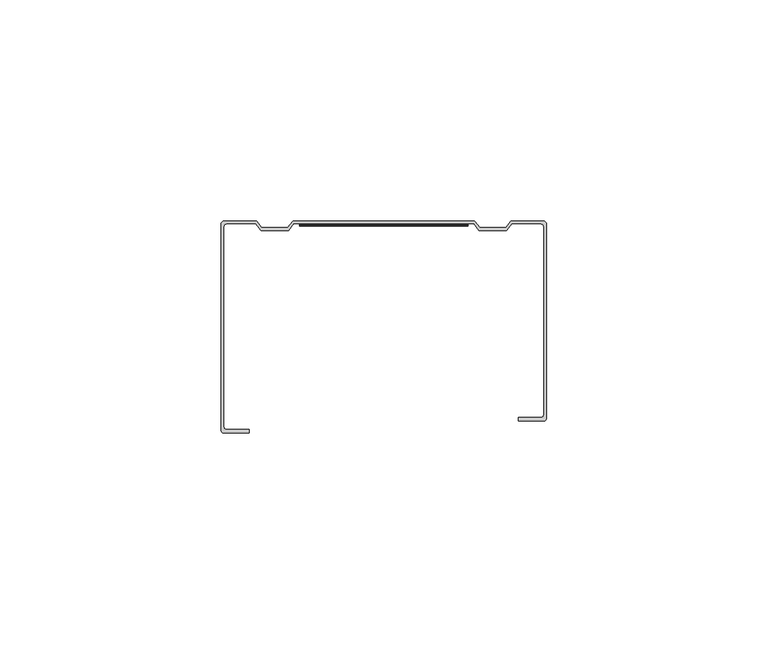
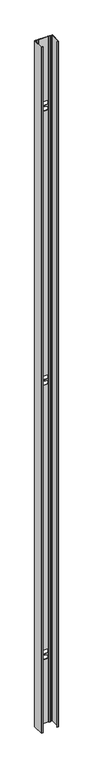
"""IFC4 building model written with IfcOpenShell, lengths in millimetres: proxy geometry."""

from ifc_helpers import new_model, si_unit, frame, origin, place, context, project, spatial, polyline, circle_curve, source, transform, mapped, element, save
from ifc_brep_helpers import plane_surface, cylinder_surface, revolved_surface, advanced_brep


def generic_models_c586e70a(model_context):
    return source(origin(), model_context, "Body", "AdvancedBrep", [
        advanced_brep(
        [(35.55, -44.4, 3000.0), (30.45, -44.4, 3000.0), (30.45, -45.2210939, 3000.0), (36.15, -45.2210939, 3000.0), (36.75, -44.6210939, 3000.0), (36.75, -0.6, 3000.0), (36.15, 0.0, 3000.0), (28.7683346, 0.0, 3000.0), (27.5683346, -1.5, 3000.0), (21.7316654, -1.5, 3000.0), (20.5316654, 0.0, 3000.0), (-20.5316654, 0.0, 3000.0), (-21.7316654, -1.5, 3000.0), (-27.5683346, -1.5, 3000.0), (-28.7683346, 0.0, 3000.0), (-36.15, 0.0, 3000.0), (-36.75, -0.6, 3000.0), (-36.75, -47.3111732, 3000.0), (-36.15, -47.9111732, 3000.0), (-30.45, -47.9111732, 3000.0), (-30.45, -47.1, 3000.0), (-35.55, -47.1, 3000.0), (-36.15, -46.5, 3000.0), (-36.15, -1.2, 3000.0), (-35.55, -0.6, 3000.0), (-28.95, -0.6, 3000.0), (-27.75, -2.1, 3000.0), (-21.55, -2.1, 3000.0), (-20.35, -0.6, 3000.0), (20.35, -0.6, 3000.0), (21.55, -2.1, 3000.0), (27.75, -2.1, 3000.0), (28.95, -0.6, 3000.0), (35.55, -0.6, 3000.0), (36.15, -1.2, 3000.0), (36.15, -43.8, 3000.0), (35.55, -44.4, 0.0), (36.15, -43.8, 0.0), (36.15, -1.2, 0.0), (35.55, -0.6, 0.0), (28.95, -0.6, 0.0), (27.75, -2.1, 0.0), (21.55, -2.1, 0.0), (20.35, -0.6, 0.0), (-20.35, -0.6, 0.0), (-21.55, -2.1, 0.0), (-27.75, -2.1, 0.0), (-28.95, -0.6, 0.0), (-35.55, -0.6, 0.0), (-36.15, -1.2, 0.0), (-36.15, -46.5, 0.0), (-35.55, -47.1, 0.0), (-30.45, -47.1, 0.0), (-30.45, -47.9111732, 0.0), (-36.15, -47.9111732, 0.0), (-36.75, -47.3111732, 0.0), (-36.75, -0.6, 0.0), (-36.15, 0.0, 0.0), (-28.7683346, 0.0, 0.0), (-27.5683346, -1.5, 0.0), (-21.7316654, -1.5, 0.0), (-20.5316654, 0.0, 0.0), (20.5316654, 0.0, 0.0), (21.7316654, -1.5, 0.0), (27.5683346, -1.5, 0.0), (28.7683346, 0.0, 0.0), (36.15, 0.0, 0.0), (36.75, -0.6, 0.0), (36.75, -44.6210939, 0.0), (36.15, -45.2210939, 0.0), (30.45, -45.2210939, 0.0), (30.45, -44.4, 0.0), (19.0, -0.6, 280.0), (-19.0, -0.6, 280.0), (-19.0, -0.6, 295.0), (-5.9360534, -0.6, 296.3063947), (-5.0355571, -0.6, 297.3014319), (-5.0355571, -0.6, 303.4832069), (-5.9360534, -0.6, 304.4782441), (-19.0, -0.6, 305.7846387), (-19.0, -0.6, 320.0), (19.0, -0.6, 320.0), (19.0, -0.6, 305.0), (4.9004963, -0.6, 303.5900496), (4.0, -0.6, 302.5950124), (4.0, -0.6, 297.4049876), (4.9004963, -0.6, 296.4099504), (19.0, -0.6, 295.0), (19.0, -0.6, 1480.0), (-19.0, -0.6, 1480.0), (-19.0, -0.6, 1495.0), (-5.9360534, -0.6, 1496.3063947), (-5.0355571, -0.6, 1497.3014319), (-5.0355571, -0.6, 1503.4832069), (-5.9360534, -0.6, 1504.4782441), (-19.0, -0.6, 1505.7846387), (-19.0, -0.6, 1520.0), (19.0, -0.6, 1520.0), (19.0, -0.6, 1505.0), (4.9004963, -0.6, 1503.5900496), (4.0, -0.6, 1502.5950124), (4.0, -0.6, 1497.4049876), (4.9004963, -0.6, 1496.4099504), (19.0, -0.6, 1495.0), (19.0, -0.6, 2680.0), (-19.0, -0.6, 2680.0), (-19.0, -0.6, 2695.0), (-5.9360534, -0.6, 2696.3063947), (-5.0355571, -0.6, 2697.3014319), (-5.0355571, -0.6, 2703.4832069), (-5.9360534, -0.6, 2704.4782441), (-19.0, -0.6, 2705.7846387), (-19.0, -0.6, 2720.0), (19.0, -0.6, 2720.0), (19.0, -0.6, 2705.0), (4.9004963, -0.6, 2703.5900496), (4.0, -0.6, 2702.5950124), (4.0, -0.6, 2697.4049876), (4.9004963, -0.6, 2696.4099504), (19.0, -0.6, 2695.0), (19.0, 0.0, 295.0), (4.9004963, 0.0, 296.4099504), (4.0, 0.0, 297.4049876), (4.0, 0.0, 302.5950124), (4.9004963, 0.0, 303.5900496), (19.0, 0.0, 305.0), (19.0, 0.0, 320.0), (-19.0, 0.0, 320.0), (-19.0, 0.0, 305.7846387), (-5.9360534, 0.0, 304.4782441), (-5.0355571, 0.0, 303.4832069), (-5.0355571, 0.0, 297.3014319), (-5.9360534, 0.0, 296.3063947), (-19.0, 0.0, 295.0), (-19.0, 0.0, 280.0), (19.0, 0.0, 280.0), (19.0, 0.0, 1495.0), (4.9004963, 0.0, 1496.4099504), (4.0, 0.0, 1497.4049876), (4.0, 0.0, 1502.5950124), (4.9004963, 0.0, 1503.5900496), (19.0, 0.0, 1505.0), (19.0, 0.0, 1520.0), (-19.0, 0.0, 1520.0), (-19.0, 0.0, 1505.7846387), (-5.9360534, 0.0, 1504.4782441), (-5.0355571, 0.0, 1503.4832069), (-5.0355571, 0.0, 1497.3014319), (-5.9360534, 0.0, 1496.3063947), (-19.0, 0.0, 1495.0), (-19.0, 0.0, 1480.0), (19.0, 0.0, 1480.0), (19.0, 0.0, 2695.0), (4.9004963, 0.0, 2696.4099504), (4.0, 0.0, 2697.4049876), (4.0, 0.0, 2702.5950124), (4.9004963, 0.0, 2703.5900496), (19.0, 0.0, 2705.0), (19.0, 0.0, 2720.0), (-19.0, 0.0, 2720.0), (-19.0, 0.0, 2705.7846387), (-5.9360534, 0.0, 2704.4782441), (-5.0355571, 0.0, 2703.4832069), (-5.0355571, 0.0, 2697.3014319), (-5.9360534, 0.0, 2696.3063947), (-19.0, 0.0, 2695.0), (-19.0, 0.0, 2680.0), (19.0, 0.0, 2680.0)],
        [
            (0, 1),
            (1, 2),
            (2, 3),
            (3, 4, circle_curve(frame((36.15, -44.6210939, 3000.0), z_axis=(0.0, 0.0, 1.0), x_axis=(1.0, 0.0, 0.0)), 0.6)),
            (4, 5),
            (5, 6, circle_curve(frame((36.15, -0.6, 3000.0), z_axis=(0.0, 0.0, 1.0), x_axis=(1.0, 0.0, 0.0)), 0.6)),
            (6, 7),
            (7, 8),
            (8, 9),
            (9, 10),
            (10, 11),
            (11, 12),
            (12, 13),
            (13, 14),
            (14, 15),
            (15, 16, circle_curve(frame((-36.15, -0.6, 3000.0), z_axis=(0.0, 0.0, 1.0), x_axis=(1.0, 0.0, 0.0)), 0.6)),
            (16, 17),
            (17, 18, circle_curve(frame((-36.15, -47.3111732, 3000.0), z_axis=(0.0, 0.0, 1.0), x_axis=(1.0, 0.0, 0.0)), 0.6)),
            (18, 19),
            (19, 20),
            (20, 21),
            (21, 22, circle_curve(frame((-35.55, -46.5, 3000.0), z_axis=(0.0, 0.0, -1.0), x_axis=(1.0, 0.0, 0.0)), 0.6)),
            (22, 23),
            (23, 24, circle_curve(frame((-35.55, -1.2, 3000.0), z_axis=(0.0, 0.0, -1.0), x_axis=(1.0, 0.0, 0.0)), 0.6)),
            (24, 25),
            (25, 26),
            (26, 27),
            (27, 28),
            (28, 29),
            (29, 30),
            (30, 31),
            (31, 32),
            (32, 33),
            (33, 34, circle_curve(frame((35.55, -1.2, 3000.0), z_axis=(0.0, 0.0, -1.0), x_axis=(1.0, 0.0, 0.0)), 0.6)),
            (34, 35),
            (35, 0, circle_curve(frame((35.55, -43.8, 3000.0), z_axis=(0.0, 0.0, -1.0), x_axis=(1.0, 0.0, 0.0)), 0.6)),
            (36, 37, circle_curve(frame((35.55, -43.8, 0.0), z_axis=(0.0, 0.0, 1.0), x_axis=(1.0, 0.0, 0.0)), 0.6)),
            (37, 38),
            (38, 39, circle_curve(frame((35.55, -1.2, 0.0), z_axis=(0.0, 0.0, 1.0), x_axis=(1.0, 0.0, 0.0)), 0.6)),
            (39, 40),
            (40, 41),
            (41, 42),
            (42, 43),
            (43, 44),
            (44, 45),
            (45, 46),
            (46, 47),
            (47, 48),
            (48, 49, circle_curve(frame((-35.55, -1.2, 0.0), z_axis=(0.0, 0.0, 1.0), x_axis=(1.0, 0.0, 0.0)), 0.6)),
            (49, 50),
            (50, 51, circle_curve(frame((-35.55, -46.5, 0.0), z_axis=(0.0, 0.0, 1.0), x_axis=(1.0, 0.0, 0.0)), 0.6)),
            (51, 52),
            (52, 53),
            (53, 54),
            (54, 55, circle_curve(frame((-36.15, -47.3111732, 0.0), z_axis=(0.0, 0.0, -1.0), x_axis=(1.0, 0.0, 0.0)), 0.6)),
            (55, 56),
            (56, 57, circle_curve(frame((-36.15, -0.6, 0.0), z_axis=(0.0, 0.0, -1.0), x_axis=(1.0, 0.0, 0.0)), 0.6)),
            (57, 58),
            (58, 59),
            (59, 60),
            (60, 61),
            (61, 62),
            (62, 63),
            (63, 64),
            (64, 65),
            (65, 66),
            (66, 67, circle_curve(frame((36.15, -0.6, 0.0), z_axis=(0.0, 0.0, -1.0), x_axis=(1.0, 0.0, 0.0)), 0.6)),
            (67, 68),
            (68, 69, circle_curve(frame((36.15, -44.6210939, 0.0), z_axis=(0.0, 0.0, -1.0), x_axis=(1.0, 0.0, 0.0)), 0.6)),
            (69, 70),
            (70, 71),
            (71, 36),
            (35, 37),
            (36, 0),
            (34, 38),
            (33, 39),
            (32, 40),
            (31, 41),
            (30, 42),
            (29, 43),
            (28, 44),
            (72, 73),
            (73, 74),
            (74, 75),
            (75, 76, circle_curve(frame((-6.0355571, -0.6, 297.3014319), z_axis=(0.0, -1.0, 0.0), x_axis=(1.0, 0.0, 0.0)), 1.0)),
            (76, 77),
            (77, 78, circle_curve(frame((-6.0355571, -0.6, 303.4832069), z_axis=(0.0, -1.0, 0.0), x_axis=(1.0, 0.0, 0.0)), 1.0)),
            (78, 79),
            (79, 80),
            (80, 81),
            (81, 82),
            (82, 83),
            (83, 84, circle_curve(frame((5.0, -0.6, 302.5950124), z_axis=(0.0, -1.0, 0.0), x_axis=(1.0, 0.0, 0.0)), 1.0)),
            (84, 85),
            (85, 86, circle_curve(frame((5.0, -0.6, 297.4049876), z_axis=(0.0, -1.0, 0.0), x_axis=(1.0, 0.0, 0.0)), 1.0)),
            (86, 87),
            (87, 72),
            (88, 89),
            (89, 90),
            (90, 91),
            (91, 92, circle_curve(frame((-6.0355571, -0.6, 1497.3014319), z_axis=(0.0, -1.0, 0.0), x_axis=(1.0, 0.0, 0.0)), 1.0)),
            (92, 93),
            (93, 94, circle_curve(frame((-6.0355571, -0.6, 1503.4832069), z_axis=(0.0, -1.0, 0.0), x_axis=(1.0, 0.0, 0.0)), 1.0)),
            (94, 95),
            (95, 96),
            (96, 97),
            (97, 98),
            (98, 99),
            (99, 100, circle_curve(frame((5.0, -0.6, 1502.5950124), z_axis=(0.0, -1.0, 0.0), x_axis=(1.0, 0.0, 0.0)), 1.0)),
            (100, 101),
            (101, 102, circle_curve(frame((5.0, -0.6, 1497.4049876), z_axis=(0.0, -1.0, 0.0), x_axis=(1.0, 0.0, 0.0)), 1.0)),
            (102, 103),
            (103, 88),
            (104, 105),
            (105, 106),
            (106, 107),
            (107, 108, circle_curve(frame((-6.0355571, -0.6, 2697.3014319), z_axis=(0.0, -1.0, 0.0), x_axis=(1.0, 0.0, 0.0)), 1.0)),
            (108, 109),
            (109, 110, circle_curve(frame((-6.0355571, -0.6, 2703.4832069), z_axis=(0.0, -1.0, 0.0), x_axis=(1.0, 0.0, 0.0)), 1.0)),
            (110, 111),
            (111, 112),
            (112, 113),
            (113, 114),
            (114, 115),
            (115, 116, circle_curve(frame((5.0, -0.6, 2702.5950124), z_axis=(0.0, -1.0, 0.0), x_axis=(1.0, 0.0, 0.0)), 1.0)),
            (116, 117),
            (117, 118, circle_curve(frame((5.0, -0.6, 2697.4049876), z_axis=(0.0, -1.0, 0.0), x_axis=(1.0, 0.0, 0.0)), 1.0)),
            (118, 119),
            (119, 104),
            (27, 45),
            (26, 46),
            (25, 47),
            (24, 48),
            (23, 49),
            (22, 50),
            (21, 51),
            (20, 52),
            (19, 53),
            (18, 54),
            (17, 55),
            (16, 56),
            (15, 57),
            (14, 58),
            (13, 59),
            (12, 60),
            (11, 61),
            (10, 62),
            (120, 121),
            (121, 122, circle_curve(frame((5.0, 0.0, 297.4049876), z_axis=(0.0, 1.0, 0.0), x_axis=(1.0, 0.0, 0.0)), 1.0)),
            (122, 123),
            (123, 124, circle_curve(frame((5.0, 0.0, 302.5950124), z_axis=(0.0, 1.0, 0.0), x_axis=(1.0, 0.0, 0.0)), 1.0)),
            (124, 125),
            (125, 126),
            (126, 127),
            (127, 128),
            (128, 129),
            (129, 130, circle_curve(frame((-6.0355571, 0.0, 303.4832069), z_axis=(0.0, 1.0, 0.0), x_axis=(1.0, 0.0, 0.0)), 1.0)),
            (130, 131),
            (131, 132, circle_curve(frame((-6.0355571, 0.0, 297.3014319), z_axis=(0.0, 1.0, 0.0), x_axis=(1.0, 0.0, 0.0)), 1.0)),
            (132, 133),
            (133, 134),
            (134, 135),
            (135, 120),
            (136, 137),
            (137, 138, circle_curve(frame((5.0, 0.0, 1497.4049876), z_axis=(0.0, 1.0, 0.0), x_axis=(1.0, 0.0, 0.0)), 1.0)),
            (138, 139),
            (139, 140, circle_curve(frame((5.0, 0.0, 1502.5950124), z_axis=(0.0, 1.0, 0.0), x_axis=(1.0, 0.0, 0.0)), 1.0)),
            (140, 141),
            (141, 142),
            (142, 143),
            (143, 144),
            (144, 145),
            (145, 146, circle_curve(frame((-6.0355571, 0.0, 1503.4832069), z_axis=(0.0, 1.0, 0.0), x_axis=(1.0, 0.0, 0.0)), 1.0)),
            (146, 147),
            (147, 148, circle_curve(frame((-6.0355571, 0.0, 1497.3014319), z_axis=(0.0, 1.0, 0.0), x_axis=(1.0, 0.0, 0.0)), 1.0)),
            (148, 149),
            (149, 150),
            (150, 151),
            (151, 136),
            (152, 153),
            (153, 154, circle_curve(frame((5.0, 0.0, 2697.4049876), z_axis=(0.0, 1.0, 0.0), x_axis=(1.0, 0.0, 0.0)), 1.0)),
            (154, 155),
            (155, 156, circle_curve(frame((5.0, 0.0, 2702.5950124), z_axis=(0.0, 1.0, 0.0), x_axis=(1.0, 0.0, 0.0)), 1.0)),
            (156, 157),
            (157, 158),
            (158, 159),
            (159, 160),
            (160, 161),
            (161, 162, circle_curve(frame((-6.0355571, 0.0, 2703.4832069), z_axis=(0.0, 1.0, 0.0), x_axis=(1.0, 0.0, 0.0)), 1.0)),
            (162, 163),
            (163, 164, circle_curve(frame((-6.0355571, 0.0, 2697.3014319), z_axis=(0.0, 1.0, 0.0), x_axis=(1.0, 0.0, 0.0)), 1.0)),
            (164, 165),
            (165, 166),
            (166, 167),
            (167, 152),
            (9, 63),
            (8, 64),
            (7, 65),
            (6, 66),
            (5, 67),
            (4, 68),
            (3, 69),
            (2, 70),
            (1, 71),
            (87, 120),
            (135, 72),
            (86, 121),
            (85, 122),
            (84, 123),
            (83, 124),
            (82, 125),
            (81, 126),
            (80, 127),
            (79, 128),
            (78, 129),
            (77, 130),
            (76, 131),
            (75, 132),
            (74, 133),
            (73, 134),
            (103, 136),
            (151, 88),
            (102, 137),
            (101, 138),
            (100, 139),
            (99, 140),
            (98, 141),
            (97, 142),
            (96, 143),
            (95, 144),
            (94, 145),
            (93, 146),
            (92, 147),
            (91, 148),
            (90, 149),
            (89, 150),
            (119, 152),
            (167, 104),
            (118, 153),
            (117, 154),
            (116, 155),
            (115, 156),
            (114, 157),
            (113, 158),
            (112, 159),
            (111, 160),
            (110, 161),
            (109, 162),
            (108, 163),
            (107, 164),
            (106, 165),
            (105, 166),
        ],
        [
            plane_surface(frame((36.15, -43.8, 3000.0), z_axis=(0.0, 0.0, 1.0), x_axis=(0.0, 1.0, 0.0))),
            plane_surface(frame((36.15, -43.8, 0.0), z_axis=(0.0, 0.0, -1.0), x_axis=(0.0, -1.0, 0.0))),
            revolved_surface(polyline([(36.15, -43.8, 0.0), (36.15, -43.8, 3000.0)]), (35.55, -43.8, 0.0), (0.0, 0.0, -1.0)),
            plane_surface(frame((36.15, -43.8, 3000.0), z_axis=(-1.0, 0.0, 0.0), x_axis=(0.0, 0.0, -1.0))),
            revolved_surface(polyline([(36.15, -1.2, 0.0), (36.15, -1.2, 3000.0)]), (35.55, -1.2, 0.0), (0.0, 0.0, -1.0)),
            plane_surface(frame((35.55, -0.6, 3000.0), z_axis=(1.3202570350113512e-12, -1.0, 0.0), x_axis=(0.0, 0.0, -1.0))),
            plane_surface(frame((28.95, -0.6, 3000.0), z_axis=(0.7808688094437694, -0.6246950475535005, 0.0), x_axis=(0.0, 0.0, -1.0))),
            plane_surface(frame((27.75, -2.1, 3000.0), z_axis=(0.0, -1.0, 0.0), x_axis=(0.0, 0.0, -1.0))),
            plane_surface(frame((21.55, -2.1, 3000.0), z_axis=(-0.7808688094437694, -0.6246950475535005, 0.0), x_axis=(0.0, 0.0, -1.0))),
            plane_surface(frame((20.35, -0.6, 3000.0), z_axis=(0.0, -1.0, 0.0), x_axis=(0.0, 0.0, -1.0))),
            plane_surface(frame((-20.35, -0.6, 3000.0), z_axis=(0.7808688094428455, -0.6246950475546552, 0.0), x_axis=(0.0, 0.0, -1.0))),
            plane_surface(frame((-21.55, -2.1, 3000.0), z_axis=(0.0, -1.0, 0.0), x_axis=(0.0, 0.0, -1.0))),
            plane_surface(frame((-27.75, -2.1, 3000.0), z_axis=(-0.7808688094419218, -0.62469504755581, 0.0), x_axis=(0.0, 0.0, -1.0))),
            plane_surface(frame((-28.95, -0.6, 3000.0), z_axis=(0.0, -1.0, 0.0), x_axis=(0.0, 0.0, -1.0))),
            revolved_surface(polyline([(-34.949999999999996, -1.2, 0.0), (-34.949999999999996, -1.2, 3000.0)]), (-35.55, -1.2, 0.0), (0.0, 0.0, -1.0)),
            plane_surface(frame((-36.15, -1.2, 3000.0), z_axis=(1.0, 0.0, 0.0), x_axis=(0.0, 0.0, -1.0))),
            revolved_surface(polyline([(-34.949999999999996, -46.5, 0.0), (-34.949999999999996, -46.5, 3000.0)]), (-35.55, -46.5, 0.0), (0.0, 0.0, -1.0)),
            plane_surface(frame((-35.55, -47.1, 3000.0), z_axis=(0.0, 1.0, 0.0), x_axis=(0.0, 0.0, -1.0))),
            plane_surface(frame((-30.45, -47.1, 3000.0), z_axis=(1.0, 0.0, 0.0), x_axis=(0.0, 0.0, -1.0))),
            plane_surface(frame((-30.45, -47.9111732, 3000.0), z_axis=(0.0, -1.0, 0.0), x_axis=(0.0, 0.0, -1.0))),
            cylinder_surface(frame((-36.15, -47.3111732, 0.0), z_axis=(0.0, 0.0, 1.0), x_axis=(1.0, 0.0, 0.0)), 0.6),
            plane_surface(frame((-36.75, -47.3111732, 3000.0), z_axis=(-1.0, 0.0, 0.0), x_axis=(0.0, 0.0, -1.0))),
            cylinder_surface(frame((-36.15, -0.6, 0.0), z_axis=(0.0, 0.0, 1.0), x_axis=(1.0, 0.0, 0.0)), 0.6),
            plane_surface(frame((-36.15, 0.0, 3000.0), z_axis=(0.0, 1.0, 0.0), x_axis=(0.0, 0.0, -1.0))),
            plane_surface(frame((-28.7683346, 0.0, 3000.0), z_axis=(0.7808688094419218, 0.62469504755581, 0.0), x_axis=(0.0, 0.0, -1.0))),
            plane_surface(frame((-27.5683346, -1.5, 3000.0), z_axis=(0.0, 1.0, 0.0), x_axis=(0.0, 0.0, -1.0))),
            plane_surface(frame((-21.7316654, -1.5, 3000.0), z_axis=(-0.780868809440998, 0.6246950475569647, 0.0), x_axis=(0.0, 0.0, -1.0))),
            plane_surface(frame((-20.5316654, 0.0, 3000.0), z_axis=(0.0, 1.0, 0.0), x_axis=(0.0, 0.0, -1.0))),
            plane_surface(frame((20.5316654, 0.0, 3000.0), z_axis=(0.7808688094437694, 0.6246950475535006, 0.0), x_axis=(0.0, 0.0, -1.0))),
            plane_surface(frame((21.7316654, -1.5, 3000.0), z_axis=(0.0, 1.0, 0.0), x_axis=(0.0, 0.0, -1.0))),
            plane_surface(frame((27.5683346, -1.5, 3000.0), z_axis=(-0.7808688094437694, 0.6246950475535006, 0.0), x_axis=(0.0, 0.0, -1.0))),
            plane_surface(frame((28.7683346, 0.0, 3000.0), z_axis=(0.0, 1.0, 0.0), x_axis=(0.0, 0.0, -1.0))),
            cylinder_surface(frame((36.15, -0.6, 0.0), z_axis=(0.0, 0.0, 1.0), x_axis=(1.0, 0.0, 0.0)), 0.6),
            plane_surface(frame((36.75, -0.6, 3000.0), z_axis=(1.0, 0.0, 0.0), x_axis=(0.0, 0.0, -1.0))),
            cylinder_surface(frame((36.15, -44.6210939, 0.0), z_axis=(0.0, 0.0, 1.0), x_axis=(1.0, 0.0, 0.0)), 0.6),
            plane_surface(frame((36.15, -45.2210939, 3000.0), z_axis=(0.0, -1.0, 0.0), x_axis=(0.0, 0.0, -1.0))),
            plane_surface(frame((30.45, -45.2210939, 3000.0), z_axis=(-1.0, 0.0, 0.0), x_axis=(0.0, 0.0, -1.0))),
            plane_surface(frame((30.45, -44.4, 3000.0), z_axis=(0.0, 1.0, 0.0), x_axis=(0.0, 0.0, -1.0))),
            plane_surface(frame((19.0, 145.3710612, 280.0), z_axis=(-1.0, 0.0, 0.0), x_axis=(0.0, -1.0, 0.0))),
            plane_surface(frame((19.0, 145.3710612, 295.0), z_axis=(-0.09950371902100404, 0.0, -0.9950371902099887), x_axis=(0.0, -1.0, 0.0))),
            cylinder_surface(frame((5.0, -171.5772694, 297.4049876), z_axis=(0.0, -1.0, 0.0), x_axis=(1.0, 0.0, 0.0)), 1.0),
            plane_surface(frame((4.0, 145.3710612, 297.4049876), z_axis=(-1.0, 0.0, 0.0), x_axis=(0.0, -1.0, 0.0))),
            cylinder_surface(frame((5.0, -171.5772694, 302.5950124), z_axis=(0.0, -1.0, 0.0), x_axis=(1.0, 0.0, 0.0)), 1.0),
            plane_surface(frame((4.9004963, 145.3710612, 303.5900496), z_axis=(-0.09950371902100714, 0.0, 0.9950371902099884), x_axis=(0.0, -1.0, 0.0))),
            plane_surface(frame((19.0, 145.3710612, 305.0), z_axis=(-1.0, 0.0, 0.0), x_axis=(0.0, -1.0, 0.0))),
            plane_surface(frame((19.0, 145.3710612, 320.0), z_axis=(0.0, 0.0, -1.0), x_axis=(0.0, -1.0, 0.0))),
            plane_surface(frame((-19.0, 145.3710612, 320.0), z_axis=(1.0, 0.0, 0.0), x_axis=(0.0, -1.0, 0.0))),
            plane_surface(frame((-19.0, 145.3710612, 305.7846387), z_axis=(0.09950371902100459, 0.0, 0.9950371902099886), x_axis=(0.0, -1.0, 0.0))),
            cylinder_surface(frame((-6.0355571, -171.5772694, 303.4832069), z_axis=(0.0, -1.0, 0.0), x_axis=(1.0, 0.0, 0.0)), 1.0),
            plane_surface(frame((-5.0355571, 145.3710612, 303.4832069), z_axis=(1.0, 0.0, 0.0), x_axis=(0.0, -1.0, 0.0))),
            cylinder_surface(frame((-6.0355571, -171.5772694, 297.3014319), z_axis=(0.0, -1.0, 0.0), x_axis=(1.0, 0.0, 0.0)), 1.0),
            plane_surface(frame((-5.9360534, 145.3710612, 296.3063947), z_axis=(0.09950371902100354, 0.0, -0.9950371902099887), x_axis=(0.0, -1.0, 0.0))),
            plane_surface(frame((-19.0, 145.3710612, 295.0), z_axis=(1.0, 0.0, 0.0), x_axis=(0.0, -1.0, 0.0))),
            plane_surface(frame((-19.0, 145.3710612, 280.0), z_axis=(0.0, 0.0, 1.0), x_axis=(0.0, -1.0, 0.0))),
            plane_surface(frame((19.0, 145.3710612, 1480.0), z_axis=(-1.0, 0.0, 0.0), x_axis=(0.0, -1.0, 0.0))),
            plane_surface(frame((19.0, 145.3710612, 1495.0), z_axis=(-0.09950371902101107, 0.0, -0.9950371902099879), x_axis=(0.0, -1.0, 0.0))),
            cylinder_surface(frame((5.0, -171.5772694, 1497.4049876), z_axis=(0.0, -1.0, 0.0), x_axis=(1.0, 0.0, 0.0)), 1.0),
            plane_surface(frame((4.0, 145.3710612, 1497.4049876), z_axis=(-1.0, 0.0, 0.0), x_axis=(0.0, -1.0, 0.0))),
            cylinder_surface(frame((5.0, -171.5772694, 1502.5950124), z_axis=(0.0, -1.0, 0.0), x_axis=(1.0, 0.0, 0.0)), 1.0),
            plane_surface(frame((4.9004963, 145.3710612, 1503.5900496), z_axis=(-0.09950371902100968, 0.0, 0.9950371902099882), x_axis=(0.0, -1.0, 0.0))),
            plane_surface(frame((19.0, 145.3710612, 1505.0), z_axis=(-1.0, 0.0, 0.0), x_axis=(0.0, -1.0, 0.0))),
            plane_surface(frame((19.0, 145.3710612, 1520.0), z_axis=(0.0, 0.0, -1.0), x_axis=(0.0, -1.0, 0.0))),
            plane_surface(frame((-19.0, 145.3710612, 1520.0), z_axis=(1.0, 0.0, 0.0), x_axis=(0.0, -1.0, 0.0))),
            plane_surface(frame((-19.0, 145.3710612, 1505.7846387), z_axis=(0.09950371902099188, 0.0, 0.9950371902099899), x_axis=(0.0, -1.0, 0.0))),
            cylinder_surface(frame((-6.0355571, -171.5772694, 1503.4832069), z_axis=(0.0, -1.0, 0.0), x_axis=(1.0, 0.0, 0.0)), 1.0),
            plane_surface(frame((-5.0355571, 145.3710612, 1503.4832069), z_axis=(1.0, 0.0, 0.0), x_axis=(0.0, -1.0, 0.0))),
            cylinder_surface(frame((-6.0355571, -171.5772694, 1497.3014319), z_axis=(0.0, -1.0, 0.0), x_axis=(1.0, 0.0, 0.0)), 1.0),
            plane_surface(frame((-5.9360534, 145.3710612, 1496.3063947), z_axis=(0.09950371902099599, 0.0, -0.9950371902099895), x_axis=(0.0, -1.0, 0.0))),
            plane_surface(frame((-19.0, 145.3710612, 1495.0), z_axis=(1.0, 0.0, 0.0), x_axis=(0.0, -1.0, 0.0))),
            plane_surface(frame((-19.0, 145.3710612, 1480.0), z_axis=(0.0, 0.0, 1.0), x_axis=(0.0, -1.0, 0.0))),
            plane_surface(frame((19.0, 145.3710612, 2680.0), z_axis=(-1.0, 0.0, 0.0), x_axis=(0.0, -1.0, 0.0))),
            plane_surface(frame((19.0, 145.3710612, 2695.0), z_axis=(-0.09950371902099236, 0.0, -0.9950371902099898), x_axis=(0.0, -1.0, 0.0))),
            cylinder_surface(frame((5.0, -171.5772694, 2697.4049876), z_axis=(0.0, -1.0, 0.0), x_axis=(1.0, 0.0, 0.0)), 1.0),
            plane_surface(frame((4.0, 145.3710612, 2697.4049876), z_axis=(-1.0, 0.0, 0.0), x_axis=(0.0, -1.0, 0.0))),
            cylinder_surface(frame((5.0, -171.5772694, 2702.5950124), z_axis=(0.0, -1.0, 0.0), x_axis=(1.0, 0.0, 0.0)), 1.0),
            plane_surface(frame((4.9004963, 145.3710612, 2703.5900496), z_axis=(-0.09950371902099077, 0.0, 0.99503719020999), x_axis=(0.0, -1.0, 0.0))),
            plane_surface(frame((19.0, 145.3710612, 2705.0), z_axis=(-1.0, 0.0, 0.0), x_axis=(0.0, -1.0, 0.0))),
            plane_surface(frame((19.0, 145.3710612, 2720.0), z_axis=(0.0, 0.0, -1.0), x_axis=(0.0, -1.0, 0.0))),
            plane_surface(frame((-19.0, 145.3710612, 2720.0), z_axis=(1.0, 0.0, 0.0), x_axis=(0.0, -1.0, 0.0))),
            plane_surface(frame((-19.0, 145.3710612, 2705.7846387), z_axis=(0.0995037190210125, 0.0, 0.9950371902099879), x_axis=(0.0, -1.0, 0.0))),
            cylinder_surface(frame((-6.0355571, -171.5772694, 2703.4832069), z_axis=(0.0, -1.0, 0.0), x_axis=(1.0, 0.0, 0.0)), 1.0),
            plane_surface(frame((-5.0355571, 145.3710612, 2703.4832069), z_axis=(1.0, 0.0, 0.0), x_axis=(0.0, -1.0, 0.0))),
            cylinder_surface(frame((-6.0355571, -171.5772694, 2697.3014319), z_axis=(0.0, -1.0, 0.0), x_axis=(1.0, 0.0, 0.0)), 1.0),
            plane_surface(frame((-5.9360534, 145.3710612, 2696.3063947), z_axis=(0.09950371902097557, 0.0, -0.9950371902099915), x_axis=(0.0, -1.0, 0.0))),
            plane_surface(frame((-19.0, 145.3710612, 2695.0), z_axis=(1.0, 0.0, 0.0), x_axis=(0.0, -1.0, 0.0))),
            plane_surface(frame((-19.0, 145.3710612, 2680.0), z_axis=(0.0, 0.0, 1.0), x_axis=(0.0, -1.0, 0.0))),
        ],
        [
            (0, [[1, 2, 3, 4, 5, 6, 7, 8, 9, 10, 11, 12, 13, 14, 15, 16, 17, 18, 19, 20, 21, 22, 23, 24, 25, 26, 27, 28, 29, 30, 31, 32, 33, 34, 35, 36]]),
            (1, [[37, 38, 39, 40, 41, 42, 43, 44, 45, 46, 47, 48, 49, 50, 51, 52, 53, 54, 55, 56, 57, 58, 59, 60, 61, 62, 63, 64, 65, 66, 67, 68, 69, 70, 71, 72]]),
            (2, [[73, -37, 74, -36]]),
            (3, [[75, -38, -73, -35]]),
            (4, [[76, -39, -75, -34]]),
            (5, [[77, -40, -76, -33]]),
            (6, [[78, -41, -77, -32]]),
            (7, [[79, -42, -78, -31]]),
            (8, [[80, -43, -79, -30]]),
            (9, [[81, -44, -80, -29], [82, 83, 84, 85, 86, 87, 88, 89, 90, 91, 92, 93, 94, 95, 96, 97], [98, 99, 100, 101, 102, 103, 104, 105, 106, 107, 108, 109, 110, 111, 112, 113], [114, 115, 116, 117, 118, 119, 120, 121, 122, 123, 124, 125, 126, 127, 128, 129]]),
            (10, [[130, -45, -81, -28]]),
            (11, [[131, -46, -130, -27]]),
            (12, [[132, -47, -131, -26]]),
            (13, [[133, -48, -132, -25]]),
            (14, [[134, -49, -133, -24]]),
            (15, [[135, -50, -134, -23]]),
            (16, [[136, -51, -135, -22]]),
            (17, [[137, -52, -136, -21]]),
            (18, [[138, -53, -137, -20]]),
            (19, [[139, -54, -138, -19]]),
            (20, [[140, -55, -139, -18]]),
            (21, [[141, -56, -140, -17]]),
            (22, [[142, -57, -141, -16]]),
            (23, [[143, -58, -142, -15]]),
            (24, [[144, -59, -143, -14]]),
            (25, [[145, -60, -144, -13]]),
            (26, [[146, -61, -145, -12]]),
            (27, [[147, -62, -146, -11], [148, 149, 150, 151, 152, 153, 154, 155, 156, 157, 158, 159, 160, 161, 162, 163], [164, 165, 166, 167, 168, 169, 170, 171, 172, 173, 174, 175, 176, 177, 178, 179], [180, 181, 182, 183, 184, 185, 186, 187, 188, 189, 190, 191, 192, 193, 194, 195]]),
            (28, [[196, -63, -147, -10]]),
            (29, [[197, -64, -196, -9]]),
            (30, [[198, -65, -197, -8]]),
            (31, [[199, -66, -198, -7]]),
            (32, [[200, -67, -199, -6]]),
            (33, [[201, -68, -200, -5]]),
            (34, [[202, -69, -201, -4]]),
            (35, [[203, -70, -202, -3]]),
            (36, [[204, -71, -203, -2]]),
            (37, [[-74, -72, -204, -1]]),
            (38, [[-97, 205, -163, 206]]),
            (39, [[-96, 207, -148, -205]]),
            (40, [[-95, 208, -149, -207]]),
            (41, [[-94, 209, -150, -208]]),
            (42, [[-93, 210, -151, -209]]),
            (43, [[-92, 211, -152, -210]]),
            (44, [[-91, 212, -153, -211]]),
            (45, [[-90, 213, -154, -212]]),
            (46, [[-89, 214, -155, -213]]),
            (47, [[-88, 215, -156, -214]]),
            (48, [[-87, 216, -157, -215]]),
            (49, [[-86, 217, -158, -216]]),
            (50, [[-85, 218, -159, -217]]),
            (51, [[-84, 219, -160, -218]]),
            (52, [[-83, 220, -161, -219]]),
            (53, [[-162, -220, -82, -206]]),
            (54, [[-113, 221, -179, 222]]),
            (55, [[-112, 223, -164, -221]]),
            (56, [[-111, 224, -165, -223]]),
            (57, [[-110, 225, -166, -224]]),
            (58, [[-109, 226, -167, -225]]),
            (59, [[-108, 227, -168, -226]]),
            (60, [[-107, 228, -169, -227]]),
            (61, [[-106, 229, -170, -228]]),
            (62, [[-105, 230, -171, -229]]),
            (63, [[-104, 231, -172, -230]]),
            (64, [[-103, 232, -173, -231]]),
            (65, [[-102, 233, -174, -232]]),
            (66, [[-101, 234, -175, -233]]),
            (67, [[-100, 235, -176, -234]]),
            (68, [[-99, 236, -177, -235]]),
            (69, [[-178, -236, -98, -222]]),
            (70, [[-129, 237, -195, 238]]),
            (71, [[-128, 239, -180, -237]]),
            (72, [[-127, 240, -181, -239]]),
            (73, [[-126, 241, -182, -240]]),
            (74, [[-125, 242, -183, -241]]),
            (75, [[-124, 243, -184, -242]]),
            (76, [[-123, 244, -185, -243]]),
            (77, [[-122, 245, -186, -244]]),
            (78, [[-121, 246, -187, -245]]),
            (79, [[-120, 247, -188, -246]]),
            (80, [[-119, 248, -189, -247]]),
            (81, [[-118, 249, -190, -248]]),
            (82, [[-117, 250, -191, -249]]),
            (83, [[-116, 251, -192, -250]]),
            (84, [[-115, 252, -193, -251]]),
            (85, [[-194, -252, -114, -238]]),
        ],
    ),
    ])


if __name__ == "__main__":
    model = new_model("IFC4")
    model_context = context("Model", 3, world=origin())
    ifc_project = project(units=[si_unit("LENGTHUNIT", "METRE", prefix="MILLI")], contexts=[model_context])
    site = spatial("IfcSite", under=ifc_project)
    building = spatial("IfcBuilding", under=site)
    placement = place(None, origin())
    generic_models_shape = generic_models_c586e70a(model_context)
    element("IfcBuildingElementProxy", 1, Name="Generic Models", at=placement, inside=building, context=model_context, shape_type="MappedRepresentation", body=[
        mapped(generic_models_shape, transform((0.0, 0.0, 0.0), x_axis=(1.0, 0.0, 0.0), y_axis=(0.0, 1.0, 0.0), z_axis=(0.0, 0.0, 1.0))),
    ])
    save(model, "model.ifc")
